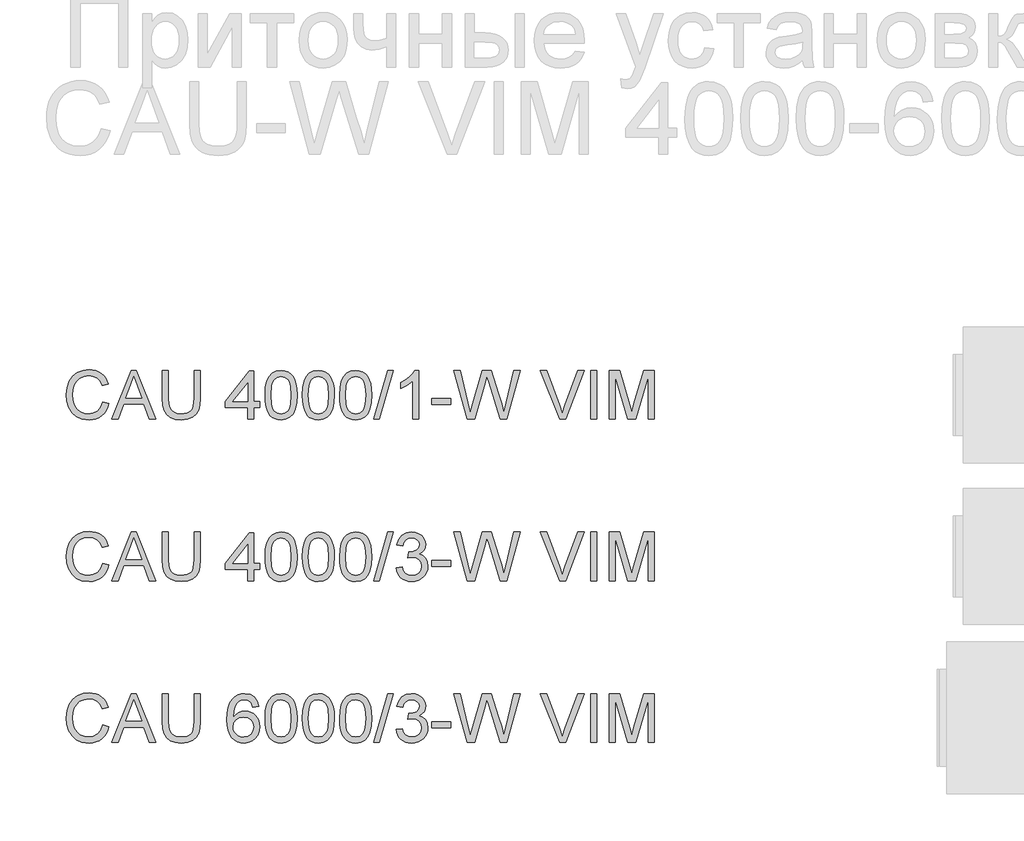
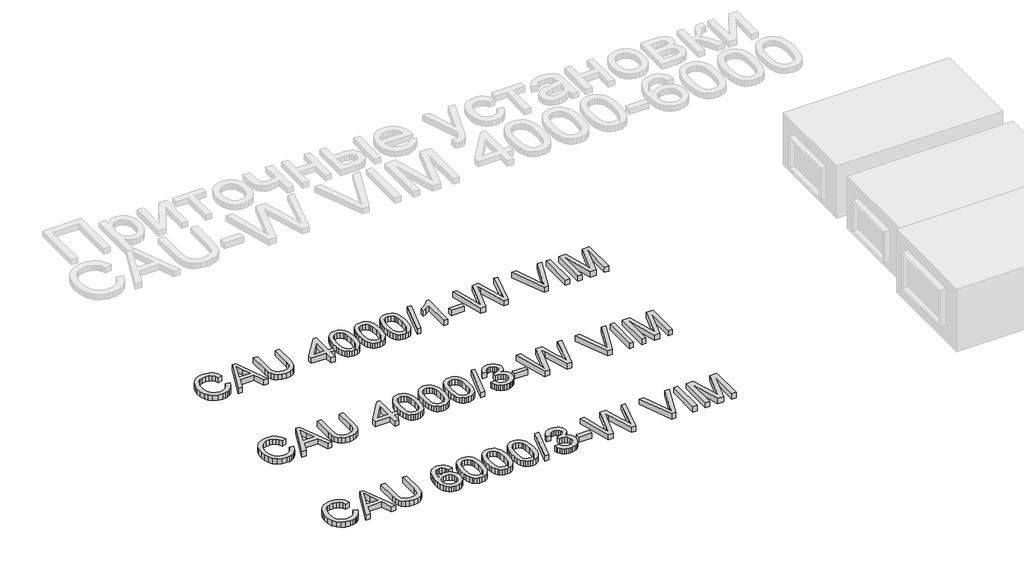
# One storey, part 70 of 74: 3 proxies.
"""IFC4 building model written with IfcOpenShell, lengths in millimetres."""

from ifc_helpers import new_model, si_unit, origin, origin_with_axes, place, context, project, spatial, polyline, outline, extrude, element, save

model = new_model("IFC4")

# Units and contexts
model_context = context("Model", 3, world=origin())
ifc_project = project(units=[si_unit("LENGTHUNIT", "METRE", prefix="MILLI")], contexts=[model_context])

# Site, building, storey
site = spatial("IfcSite", under=ifc_project)
building = spatial("IfcBuilding", under=site)
storey = spatial("IfcBuildingStorey", under=building, Elevation=0.0)

# Proxies
placement = place(None, origin())
element("IfcBuildingElementProxy", 1, Name="Generic Models", at=placement, inside=storey, context=model_context, shape_type="SweptSolid", body=[
    extrude(outline(polyline([(56009.3406669, -11399.1632103), (56047.0117832, -11408.875295), (56039.5575743, -11432.3024803), (56029.6293589, -11452.7728141), (56017.2271372, -11470.2862963), (56002.350909, -11484.842927), (55985.3363667, -11496.2863563), (55966.5192027, -11504.4602344), (55945.8994168, -11509.3645613), (55923.4770092, -11510.9993369), (55879.7818252, -11506.051324), (55845.0813561, -11491.2072855), (55818.4834878, -11466.9822562), (55799.0961067, -11433.8912707), (55787.2595035, -11394.9877497), (55783.3139691, -11353.3251137), (55787.7745383, -11309.3816094), (55801.1562458, -11271.4345816), (55822.760116, -11240.6888439), (55851.887173, -11218.3492097), (55886.4312923, -11204.7467729), (55924.2863496, -11200.2126274), (55965.5903006, -11206.0803452), (55983.5590368, -11213.4149925), (55999.7389468, -11223.6834986), (56013.8633162, -11236.6145508), (56025.6654304, -11251.9368359), (56042.3028937, -11289.755105), (56004.6317774, -11298.7314257), (55991.5719665, -11271.2598377), (55973.7296898, -11252.4150825), (55950.8842179, -11241.5165784), (55922.8148216, -11237.8837437), (55890.4596002, -11241.9120515), (55863.880126, -11253.996975), (55843.7109956, -11272.8693214), (55830.5868054, -11297.2598977), (55823.3855154, -11324.8326532), (55820.9850854, -11353.2515373), (55823.8269738, -11388.0531741), (55832.352639, -11418.1459213), (55846.8839778, -11442.3801477), (55867.742887, -11459.6062222), (55892.7496656, -11469.897721), (55919.7246129, -11473.3282206), (55951.1693264, -11468.6561192), (55977.3717215, -11454.6398152), (55997.1545758, -11431.4264613), (56009.3406669, -11399.1632103)])), origin_with_axes(), (0.0, 0.0, 1.0), 50.0),
    extrude(outline(polyline([(56063.7136258, -11506.2904473), (56184.0110382, -11204.9215169), (56216.0903482, -11204.9215169), (56336.3877606, -11506.2904473), (56296.5829287, -11506.2904473), (56262.0755976, -11412.1126566), (56137.9522124, -11412.1126566), (56103.5184577, -11506.2904473), (56063.7136258, -11506.2904473)]), holes=[polyline([(56151.7845754, -11374.4415403), (56248.316811, -11374.4415403), (56221.1671197, -11300.3501064), (56200.0506932, -11242.5926332), (56181.2887114, -11293.8753833), (56151.7845754, -11374.4415403)])]), origin_with_axes(), (0.0, 0.0, 1.0), 50.0),
    extrude(outline(polyline([(56574.4074115, -11204.9215169), (56612.0785278, -11204.9215169), (56612.0785278, -11378.7825478), (56609.5217479, -11419.4978876), (56601.8514083, -11450.8506307), (56587.5224046, -11475.0388719), (56564.9896324, -11494.2607061), (56534.1979094, -11506.8146792), (56495.0920533, -11510.9993369), (56456.8415229, -11507.3573051), (56426.261332, -11496.4312099), (56403.3422837, -11478.5981302), (56388.0751809, -11454.235145), (56379.4943334, -11421.5580268), (56376.6340509, -11378.7825478), (56376.6340509, -11204.9215169), (56414.3051672, -11204.9215169), (56414.3051672, -11377.4581726), (56416.1629713, -11411.3125132), (56421.7363835, -11434.8845521), (56431.8347443, -11451.2093156), (56447.267394, -11463.3218303), (56467.3905391, -11470.826623), (56491.5603862, -11473.3282206), (56529.875296, -11468.3802077), (56544.2180953, -11462.1951917), (56555.3511241, -11453.5361692), (56563.6882499, -11441.3592752), (56569.6433397, -11424.6206444), (56574.4074115, -11377.4581726), (56574.4074115, -11204.9215169)])), origin_with_axes(), (0.0, 0.0, 1.0), 50.0),
    extrude(outline(polyline([(56904.0296792, -11506.2904473), (56904.0296792, -11435.6571043), (56767.4718826, -11435.6571043), (56767.4718826, -11397.985988), (56913.4474582, -11209.6304064), (56941.7007955, -11209.6304064), (56941.7007955, -11397.985988), (56979.3719118, -11397.985988), (56979.3719118, -11435.6571043), (56941.7007955, -11435.6571043), (56941.7007955, -11506.2904473), (56904.0296792, -11506.2904473)]), holes=[polyline([(56904.0296792, -11397.985988), (56904.0296792, -11281.5881247), (56813.8250139, -11397.985988), (56904.0296792, -11397.985988)])]), origin_with_axes(), (0.0, 0.0, 1.0), 50.0),
    extrude(outline(polyline([(57012.3341385, -11358.0340033), (57015.1024506, -11309.7954767), (57023.4073866, -11271.324217), (57037.1661732, -11242.0316132), (57056.296037, -11221.3290539), (57080.9349336, -11209.0234011), (57111.2208189, -11204.9215169), (57134.4341727, -11207.3495381), (57155.2195055, -11214.6336016), (57172.6019297, -11226.4885989), (57185.6065583, -11242.6294214), (57195.4290075, -11262.9181134), (57203.264894, -11287.2167192), (57208.3968479, -11318.0728216), (57210.1074992, -11358.0340033), (57207.3667783, -11405.9966184), (57199.1446157, -11444.3759076), (57185.4686025, -11473.6961026), (57166.3663299, -11494.4814353), (57141.672251, -11506.8698615), (57111.2208189, -11510.9993369), (57090.4722743, -11509.2059122), (57072.0781746, -11503.825638), (57056.0385196, -11494.8585143), (57042.3533094, -11482.3045413), (57029.2199221, -11459.6108207), (57019.8389312, -11431.3344908), (57014.2103367, -11397.4755517), (57012.3341385, -11358.0340033)]), holes=[polyline([(57050.0052549, -11357.9604269), (57054.4198388, -11417.2170193), (57059.9380687, -11437.4850179), (57067.6635906, -11451.5128183), (57087.3820656, -11467.87437), (57111.2208189, -11473.3282206), (57135.0595721, -11467.8559759), (57154.7780471, -11451.4392419), (57162.503569, -11437.3884489), (57168.0217989, -11417.1250488), (57172.4363828, -11357.9604269), (57168.1689517, -11300.0374067), (57162.8346628, -11279.8360867), (57155.3666583, -11265.4748933), (57135.6849715, -11248.3131982), (57110.7793605, -11242.5926332), (57087.1981246, -11247.6326165), (57068.2522018, -11262.7525665), (57060.2691625, -11278.3875513), (57054.5669916, -11299.4671897), (57050.0052549, -11357.9604269)])]), origin_with_axes(), (0.0, 0.0, 1.0), 50.0),
    extrude(outline(polyline([(57243.0697259, -11358.0340033), (57245.8380379, -11309.7954767), (57254.142974, -11271.324217), (57267.9017606, -11242.0316132), (57287.0316243, -11221.3290539), (57311.670521, -11209.0234011), (57341.9564062, -11204.9215169), (57365.1697601, -11207.3495381), (57385.9550928, -11214.6336016), (57403.3375171, -11226.4885989), (57416.3421456, -11242.6294214), (57426.1645949, -11262.9181134), (57434.0004814, -11287.2167192), (57439.1324353, -11318.0728216), (57440.8430865, -11358.0340033), (57438.1023657, -11405.9966184), (57429.8802031, -11444.3759076), (57416.2041899, -11473.6961026), (57397.1019173, -11494.4814353), (57372.4078384, -11506.8698615), (57341.9564062, -11510.9993369), (57321.2078617, -11509.2059122), (57302.8137619, -11503.825638), (57286.7741069, -11494.8585143), (57273.0888967, -11482.3045413), (57259.9555095, -11459.6108207), (57250.5745186, -11431.3344908), (57244.9459241, -11397.4755517), (57243.0697259, -11358.0340033)]), holes=[polyline([(57280.7408422, -11357.9604269), (57285.1554262, -11417.2170193), (57290.6736561, -11437.4850179), (57298.399178, -11451.5128183), (57318.1176529, -11467.87437), (57341.9564062, -11473.3282206), (57365.7951595, -11467.8559759), (57385.5136345, -11451.4392419), (57393.2391564, -11437.3884489), (57398.7573863, -11417.1250488), (57403.1719702, -11357.9604269), (57398.9045391, -11300.0374067), (57393.5702501, -11279.8360867), (57386.1022456, -11265.4748933), (57366.4205589, -11248.3131982), (57341.5149478, -11242.5926332), (57317.9337119, -11247.6326165), (57298.9877892, -11262.7525665), (57291.0047499, -11278.3875513), (57285.302579, -11299.4671897), (57280.7408422, -11357.9604269)])]), origin_with_axes(), (0.0, 0.0, 1.0), 50.0),
    extrude(outline(polyline([(57473.8053133, -11358.0340033), (57476.5736253, -11309.7954767), (57484.8785614, -11271.324217), (57498.637348, -11242.0316132), (57517.7672117, -11221.3290539), (57542.4061083, -11209.0234011), (57572.6919936, -11204.9215169), (57595.9053475, -11207.3495381), (57616.6906802, -11214.6336016), (57634.0731045, -11226.4885989), (57647.077733, -11242.6294214), (57656.9001823, -11262.9181134), (57664.7360688, -11287.2167192), (57669.8680226, -11318.0728216), (57671.5786739, -11358.0340033), (57668.837953, -11405.9966184), (57660.6157904, -11444.3759076), (57646.9397773, -11473.6961026), (57627.8375047, -11494.4814353), (57603.1434258, -11506.8698615), (57572.6919936, -11510.9993369), (57551.9434491, -11509.2059122), (57533.5493493, -11503.825638), (57517.5096943, -11494.8585143), (57503.8244841, -11482.3045413), (57490.6910969, -11459.6108207), (57481.310106, -11431.3344908), (57475.6815115, -11397.4755517), (57473.8053133, -11358.0340033)]), holes=[polyline([(57511.4764296, -11357.9604269), (57515.8910135, -11417.2170193), (57521.4092435, -11437.4850179), (57529.1347654, -11451.5128183), (57548.8532403, -11467.87437), (57572.6919936, -11473.3282206), (57596.5307469, -11467.8559759), (57616.2492218, -11451.4392419), (57623.9747437, -11437.3884489), (57629.4929737, -11417.1250488), (57633.9075576, -11357.9604269), (57629.6401265, -11300.0374067), (57624.3058375, -11279.8360867), (57616.837833, -11265.4748933), (57597.1561463, -11248.3131982), (57572.2505352, -11242.5926332), (57548.6692993, -11247.6326165), (57529.7233766, -11262.7525665), (57521.7403373, -11278.3875513), (57516.0381663, -11299.4671897), (57511.4764296, -11357.9604269)])]), origin_with_axes(), (0.0, 0.0, 1.0), 50.0),
    extrude(outline(polyline([(57685.7053425, -11506.2904473), (57770.4653542, -11204.9215169), (57804.4576506, -11204.9215169), (57719.6976389, -11506.2904473), (57685.7053425, -11506.2904473)])), origin_with_axes(), (0.0, 0.0, 1.0), 50.0),
    extrude(outline(polyline([(57963.5298253, -11506.2904473), (57925.858709, -11506.2904473), (57925.858709, -11271.4345816), (57890.1741554, -11296.8552275), (57850.5164764, -11315.8747266), (57850.5164764, -11280.2637495), (57880.1033858, -11264.1689122), (57905.7355638, -11245.0206544), (57925.9414824, -11224.6583859), (57939.2496136, -11204.9215169), (57963.5298253, -11204.9215169), (57963.5298253, -11506.2904473)])), origin_with_axes(), (0.0, 0.0, 1.0), 50.0),
    extrude(outline(polyline([(58043.5809474, -11416.8215461), (58043.5809474, -11379.1504298), (58161.3031859, -11379.1504298), (58161.3031859, -11416.8215461), (58043.5809474, -11416.8215461)])), origin_with_axes(), (0.0, 0.0, 1.0), 50.0),
    extrude(outline(polyline([(58262.3235818, -11506.2904473), (58180.138744, -11204.9215169), (58218.9870827, -11204.9215169), (58266.6645893, -11402.9891831), (58281.3798691, -11464.1311707), (58297.1252185, -11410.0525174), (58356.8692545, -11204.9215169), (58412.8608942, -11204.9215169), (58456.2709696, -11353.6194193), (58474.8674045, -11408.8017186), (58488.5710088, -11464.1311707), (58502.8448302, -11404.7550167), (58550.9637952, -11204.9215169), (58589.8121339, -11204.9215169), (58507.5537197, -11506.2904473), (58467.3074295, -11506.2904473), (58395.0554056, -11273.7890264), (58384.975439, -11241.3418344), (58373.6446735, -11280.4109023), (58307.7937964, -11506.2904473), (58262.3235818, -11506.2904473)])), origin_with_axes(), (0.0, 0.0, 1.0), 50.0),
    extrude(outline(polyline([(58834.2329315, -11506.2904473), (58714.303401, -11204.9215169), (58754.6232677, -11204.9215169), (58834.8951191, -11422.0454704), (58851.1555032, -11470.9737758), (58867.1951582, -11422.0454704), (58947.6877388, -11204.9215169), (58988.0076054, -11204.9215169), (58873.1548465, -11506.2904473), (58834.2329315, -11506.2904473)])), origin_with_axes(), (0.0, 0.0, 1.0), 50.0),
    extrude(outline(polyline([(59027.7388609, -11506.2904473), (59027.7388609, -11204.9215169), (59065.4099772, -11204.9215169), (59065.4099772, -11506.2904473), (59027.7388609, -11506.2904473)])), origin_with_axes(), (0.0, 0.0, 1.0), 50.0),
    extrude(outline(polyline([(59140.7522098, -11506.2904473), (59140.7522098, -11204.9215169), (59205.5730174, -11204.9215169), (59267.2300398, -11417.3365809), (59279.6644512, -11461.7031495), (59293.1289322, -11413.657761), (59353.755885, -11204.9215169), (59418.5766926, -11204.9215169), (59418.5766926, -11506.2904473), (59380.9055763, -11506.2904473), (59380.9055763, -11242.5926332), (59305.1954617, -11506.2904473), (59254.1334408, -11506.2904473), (59178.4233261, -11242.5926332), (59178.4233261, -11506.2904473), (59140.7522098, -11506.2904473)])), origin_with_axes(), (0.0, 0.0, 1.0), 50.0),
])
element("IfcBuildingElementProxy", 2, Name="Generic Models", at=placement, inside=storey, context=model_context, shape_type="SweptSolid", body=[
    extrude(outline(polyline([(56009.3406669, -12399.1632103), (56047.0117832, -12408.875295), (56039.5575743, -12432.3024803), (56029.6293589, -12452.7728141), (56017.2271372, -12470.2862963), (56002.350909, -12484.842927), (55985.3363667, -12496.2863563), (55966.5192027, -12504.4602344), (55945.8994168, -12509.3645613), (55923.4770092, -12510.9993369), (55879.7818252, -12506.051324), (55845.0813561, -12491.2072855), (55818.4834878, -12466.9822562), (55799.0961067, -12433.8912707), (55787.2595035, -12394.9877497), (55783.3139691, -12353.3251137), (55787.7745383, -12309.3816094), (55801.1562458, -12271.4345816), (55822.760116, -12240.6888439), (55851.887173, -12218.3492097), (55886.4312923, -12204.7467729), (55924.2863496, -12200.2126274), (55965.5903006, -12206.0803452), (55983.5590368, -12213.4149925), (55999.7389468, -12223.6834986), (56013.8633162, -12236.6145508), (56025.6654304, -12251.9368359), (56042.3028937, -12289.755105), (56004.6317774, -12298.7314257), (55991.5719665, -12271.2598377), (55973.7296898, -12252.4150825), (55950.8842179, -12241.5165784), (55922.8148216, -12237.8837437), (55890.4596002, -12241.9120515), (55863.880126, -12253.996975), (55843.7109956, -12272.8693214), (55830.5868054, -12297.2598977), (55823.3855154, -12324.8326532), (55820.9850854, -12353.2515373), (55823.8269738, -12388.0531741), (55832.352639, -12418.1459213), (55846.8839778, -12442.3801477), (55867.742887, -12459.6062222), (55892.7496656, -12469.897721), (55919.7246129, -12473.3282206), (55951.1693264, -12468.6561192), (55977.3717215, -12454.6398152), (55997.1545758, -12431.4264613), (56009.3406669, -12399.1632103)])), origin_with_axes(), (0.0, 0.0, 1.0), 50.0),
    extrude(outline(polyline([(56063.7136258, -12506.2904473), (56184.0110382, -12204.9215169), (56216.0903482, -12204.9215169), (56336.3877606, -12506.2904473), (56296.5829287, -12506.2904473), (56262.0755976, -12412.1126566), (56137.9522124, -12412.1126566), (56103.5184577, -12506.2904473), (56063.7136258, -12506.2904473)]), holes=[polyline([(56151.7845754, -12374.4415403), (56248.316811, -12374.4415403), (56221.1671197, -12300.3501064), (56200.0506932, -12242.5926332), (56181.2887114, -12293.8753833), (56151.7845754, -12374.4415403)])]), origin_with_axes(), (0.0, 0.0, 1.0), 50.0),
    extrude(outline(polyline([(56574.4074115, -12204.9215169), (56612.0785278, -12204.9215169), (56612.0785278, -12378.7825478), (56609.5217479, -12419.4978876), (56601.8514083, -12450.8506307), (56587.5224046, -12475.0388719), (56564.9896324, -12494.2607061), (56534.1979094, -12506.8146792), (56495.0920533, -12510.9993369), (56456.8415229, -12507.3573051), (56426.261332, -12496.4312099), (56403.3422837, -12478.5981302), (56388.0751809, -12454.235145), (56379.4943334, -12421.5580268), (56376.6340509, -12378.7825478), (56376.6340509, -12204.9215169), (56414.3051672, -12204.9215169), (56414.3051672, -12377.4581726), (56416.1629713, -12411.3125132), (56421.7363835, -12434.8845521), (56431.8347443, -12451.2093156), (56447.267394, -12463.3218303), (56467.3905391, -12470.826623), (56491.5603862, -12473.3282206), (56529.875296, -12468.3802077), (56544.2180953, -12462.1951917), (56555.3511241, -12453.5361692), (56563.6882499, -12441.3592752), (56569.6433397, -12424.6206444), (56574.4074115, -12377.4581726), (56574.4074115, -12204.9215169)])), origin_with_axes(), (0.0, 0.0, 1.0), 50.0),
    extrude(outline(polyline([(56904.0296792, -12506.2904473), (56904.0296792, -12435.6571043), (56767.4718826, -12435.6571043), (56767.4718826, -12397.985988), (56913.4474582, -12209.6304064), (56941.7007955, -12209.6304064), (56941.7007955, -12397.985988), (56979.3719118, -12397.985988), (56979.3719118, -12435.6571043), (56941.7007955, -12435.6571043), (56941.7007955, -12506.2904473), (56904.0296792, -12506.2904473)]), holes=[polyline([(56904.0296792, -12397.985988), (56904.0296792, -12281.5881247), (56813.8250139, -12397.985988), (56904.0296792, -12397.985988)])]), origin_with_axes(), (0.0, 0.0, 1.0), 50.0),
    extrude(outline(polyline([(57012.3341385, -12358.0340033), (57015.1024506, -12309.7954767), (57023.4073866, -12271.324217), (57037.1661732, -12242.0316132), (57056.296037, -12221.3290539), (57080.9349336, -12209.0234011), (57111.2208189, -12204.9215169), (57134.4341727, -12207.3495381), (57155.2195055, -12214.6336016), (57172.6019297, -12226.4885989), (57185.6065583, -12242.6294214), (57195.4290075, -12262.9181134), (57203.264894, -12287.2167192), (57208.3968479, -12318.0728216), (57210.1074992, -12358.0340033), (57207.3667783, -12405.9966184), (57199.1446157, -12444.3759076), (57185.4686025, -12473.6961026), (57166.3663299, -12494.4814353), (57141.672251, -12506.8698615), (57111.2208189, -12510.9993369), (57090.4722743, -12509.2059122), (57072.0781746, -12503.825638), (57056.0385196, -12494.8585143), (57042.3533094, -12482.3045413), (57029.2199221, -12459.6108207), (57019.8389312, -12431.3344908), (57014.2103367, -12397.4755517), (57012.3341385, -12358.0340033)]), holes=[polyline([(57050.0052549, -12357.9604269), (57054.4198388, -12417.2170193), (57059.9380687, -12437.4850179), (57067.6635906, -12451.5128183), (57087.3820656, -12467.87437), (57111.2208189, -12473.3282206), (57135.0595721, -12467.8559759), (57154.7780471, -12451.4392419), (57162.503569, -12437.3884489), (57168.0217989, -12417.1250488), (57172.4363828, -12357.9604269), (57168.1689517, -12300.0374067), (57162.8346628, -12279.8360867), (57155.3666583, -12265.4748933), (57135.6849715, -12248.3131982), (57110.7793605, -12242.5926332), (57087.1981246, -12247.6326165), (57068.2522018, -12262.7525665), (57060.2691625, -12278.3875513), (57054.5669916, -12299.4671897), (57050.0052549, -12357.9604269)])]), origin_with_axes(), (0.0, 0.0, 1.0), 50.0),
    extrude(outline(polyline([(57243.0697259, -12358.0340033), (57245.8380379, -12309.7954767), (57254.142974, -12271.324217), (57267.9017606, -12242.0316132), (57287.0316243, -12221.3290539), (57311.670521, -12209.0234011), (57341.9564062, -12204.9215169), (57365.1697601, -12207.3495381), (57385.9550928, -12214.6336016), (57403.3375171, -12226.4885989), (57416.3421456, -12242.6294214), (57426.1645949, -12262.9181134), (57434.0004814, -12287.2167192), (57439.1324353, -12318.0728216), (57440.8430865, -12358.0340033), (57438.1023657, -12405.9966184), (57429.8802031, -12444.3759076), (57416.2041899, -12473.6961026), (57397.1019173, -12494.4814353), (57372.4078384, -12506.8698615), (57341.9564062, -12510.9993369), (57321.2078617, -12509.2059122), (57302.8137619, -12503.825638), (57286.7741069, -12494.8585143), (57273.0888967, -12482.3045413), (57259.9555095, -12459.6108207), (57250.5745186, -12431.3344908), (57244.9459241, -12397.4755517), (57243.0697259, -12358.0340033)]), holes=[polyline([(57280.7408422, -12357.9604269), (57285.1554262, -12417.2170193), (57290.6736561, -12437.4850179), (57298.399178, -12451.5128183), (57318.1176529, -12467.87437), (57341.9564062, -12473.3282206), (57365.7951595, -12467.8559759), (57385.5136345, -12451.4392419), (57393.2391564, -12437.3884489), (57398.7573863, -12417.1250488), (57403.1719702, -12357.9604269), (57398.9045391, -12300.0374067), (57393.5702501, -12279.8360867), (57386.1022456, -12265.4748933), (57366.4205589, -12248.3131982), (57341.5149478, -12242.5926332), (57317.9337119, -12247.6326165), (57298.9877892, -12262.7525665), (57291.0047499, -12278.3875513), (57285.302579, -12299.4671897), (57280.7408422, -12357.9604269)])]), origin_with_axes(), (0.0, 0.0, 1.0), 50.0),
    extrude(outline(polyline([(57473.8053133, -12358.0340033), (57476.5736253, -12309.7954767), (57484.8785614, -12271.324217), (57498.637348, -12242.0316132), (57517.7672117, -12221.3290539), (57542.4061083, -12209.0234011), (57572.6919936, -12204.9215169), (57595.9053475, -12207.3495381), (57616.6906802, -12214.6336016), (57634.0731045, -12226.4885989), (57647.077733, -12242.6294214), (57656.9001823, -12262.9181134), (57664.7360688, -12287.2167192), (57669.8680226, -12318.0728216), (57671.5786739, -12358.0340033), (57668.837953, -12405.9966184), (57660.6157904, -12444.3759076), (57646.9397773, -12473.6961026), (57627.8375047, -12494.4814353), (57603.1434258, -12506.8698615), (57572.6919936, -12510.9993369), (57551.9434491, -12509.2059122), (57533.5493493, -12503.825638), (57517.5096943, -12494.8585143), (57503.8244841, -12482.3045413), (57490.6910969, -12459.6108207), (57481.310106, -12431.3344908), (57475.6815115, -12397.4755517), (57473.8053133, -12358.0340033)]), holes=[polyline([(57511.4764296, -12357.9604269), (57515.8910135, -12417.2170193), (57521.4092435, -12437.4850179), (57529.1347654, -12451.5128183), (57548.8532403, -12467.87437), (57572.6919936, -12473.3282206), (57596.5307469, -12467.8559759), (57616.2492218, -12451.4392419), (57623.9747437, -12437.3884489), (57629.4929737, -12417.1250488), (57633.9075576, -12357.9604269), (57629.6401265, -12300.0374067), (57624.3058375, -12279.8360867), (57616.837833, -12265.4748933), (57597.1561463, -12248.3131982), (57572.2505352, -12242.5926332), (57548.6692993, -12247.6326165), (57529.7233766, -12262.7525665), (57521.7403373, -12278.3875513), (57516.0381663, -12299.4671897), (57511.4764296, -12357.9604269)])]), origin_with_axes(), (0.0, 0.0, 1.0), 50.0),
    extrude(outline(polyline([(57685.7053425, -12506.2904473), (57770.4653542, -12204.9215169), (57804.4576506, -12204.9215169), (57719.6976389, -12506.2904473), (57685.7053425, -12506.2904473)])), origin_with_axes(), (0.0, 0.0, 1.0), 50.0),
    extrude(outline(polyline([(57822.2631391, -12426.2393252), (57859.9342554, -12421.5304357), (57868.3679502, -12445.203642), (57880.7195882, -12461.1881147), (57897.5961747, -12470.2931941), (57919.6047151, -12473.3282206), (57945.4300311, -12469.1527599), (57965.3692353, -12456.626378), (57978.1163464, -12437.9379726), (57982.3653834, -12415.2764417), (57978.1531346, -12393.7645421), (57965.516388, -12376.3177384), (57946.3865243, -12364.7570467), (57922.6949238, -12360.9034828), (57896.2809966, -12365.0237612), (57900.4748513, -12327.3526449), (57906.508116, -12327.7941033), (57929.0776764, -12325.0901706), (57949.2560039, -12316.9783726), (57963.4930371, -12303.2563742), (57968.2387148, -12283.7218403), (57964.7990182, -12267.452259), (57954.4799282, -12254.2544924), (57938.7345788, -12245.508098), (57919.0161039, -12242.5926332), (57899.2608407, -12245.5356892), (57883.1108211, -12254.364857), (57871.3202032, -12269.0801369), (57864.643145, -12289.6815286), (57826.9720287, -12284.972639), (57838.0636708, -12251.1458896), (57857.8005399, -12225.8907906), (57884.8030783, -12210.1638353), (57917.6917287, -12204.9215169), (57941.3741321, -12207.5058879), (57963.1251551, -12215.259001), (57981.4640725, -12227.4910773), (57994.9101595, -12243.5123382), (58003.1599132, -12261.9708173), (58005.9098311, -12281.5145483), (58003.297869, -12299.724707), (57995.4619825, -12316.2426086), (57982.5125362, -12330.3140949), (57964.5598949, -12341.1850079), (57988.1411308, -12350.7131516), (58005.6155255, -12366.9367476), (58016.4312562, -12388.9728791), (58020.0364997, -12415.9386293), (58018.233878, -12435.050099), (58012.8260126, -12452.6532524), (58003.8129037, -12468.7480897), (57991.1945513, -12483.3346108), (57975.8216824, -12495.4379285), (57958.5450242, -12504.0831554), (57939.3645767, -12509.2702915), (57918.2803399, -12510.9993369), (57899.2240525, -12509.5232104), (57881.8600223, -12505.0948309), (57866.1882494, -12497.7141983), (57852.2087335, -12487.3813128), (57840.4870935, -12474.7031795), (57831.5889477, -12460.2868038), (57825.5142963, -12444.1321857), (57822.2631391, -12426.2393252)])), origin_with_axes(), (0.0, 0.0, 1.0), 50.0),
    extrude(outline(polyline([(58043.5809474, -12416.8215461), (58043.5809474, -12379.1504298), (58161.3031859, -12379.1504298), (58161.3031859, -12416.8215461), (58043.5809474, -12416.8215461)])), origin_with_axes(), (0.0, 0.0, 1.0), 50.0),
    extrude(outline(polyline([(58262.3235818, -12506.2904473), (58180.138744, -12204.9215169), (58218.9870827, -12204.9215169), (58266.6645893, -12402.9891831), (58281.3798691, -12464.1311707), (58297.1252185, -12410.0525174), (58356.8692545, -12204.9215169), (58412.8608942, -12204.9215169), (58456.2709696, -12353.6194193), (58474.8674045, -12408.8017186), (58488.5710088, -12464.1311707), (58502.8448302, -12404.7550167), (58550.9637952, -12204.9215169), (58589.8121339, -12204.9215169), (58507.5537197, -12506.2904473), (58467.3074295, -12506.2904473), (58395.0554056, -12273.7890264), (58384.975439, -12241.3418344), (58373.6446735, -12280.4109023), (58307.7937964, -12506.2904473), (58262.3235818, -12506.2904473)])), origin_with_axes(), (0.0, 0.0, 1.0), 50.0),
    extrude(outline(polyline([(58834.2329315, -12506.2904473), (58714.303401, -12204.9215169), (58754.6232677, -12204.9215169), (58834.8951191, -12422.0454704), (58851.1555032, -12470.9737758), (58867.1951582, -12422.0454704), (58947.6877388, -12204.9215169), (58988.0076054, -12204.9215169), (58873.1548465, -12506.2904473), (58834.2329315, -12506.2904473)])), origin_with_axes(), (0.0, 0.0, 1.0), 50.0),
    extrude(outline(polyline([(59027.7388609, -12506.2904473), (59027.7388609, -12204.9215169), (59065.4099772, -12204.9215169), (59065.4099772, -12506.2904473), (59027.7388609, -12506.2904473)])), origin_with_axes(), (0.0, 0.0, 1.0), 50.0),
    extrude(outline(polyline([(59140.7522098, -12506.2904473), (59140.7522098, -12204.9215169), (59205.5730174, -12204.9215169), (59267.2300398, -12417.3365809), (59279.6644512, -12461.7031495), (59293.1289322, -12413.657761), (59353.755885, -12204.9215169), (59418.5766926, -12204.9215169), (59418.5766926, -12506.2904473), (59380.9055763, -12506.2904473), (59380.9055763, -12242.5926332), (59305.1954617, -12506.2904473), (59254.1334408, -12506.2904473), (59178.4233261, -12242.5926332), (59178.4233261, -12506.2904473), (59140.7522098, -12506.2904473)])), origin_with_axes(), (0.0, 0.0, 1.0), 50.0),
])
element("IfcBuildingElementProxy", 3, Name="Generic Models", at=placement, inside=storey, context=model_context, shape_type="SweptSolid", body=[
    extrude(outline(polyline([(56009.3406669, -13399.1632103), (56047.0117832, -13408.875295), (56039.5575743, -13432.3024803), (56029.6293589, -13452.7728141), (56017.2271372, -13470.2862963), (56002.350909, -13484.842927), (55985.3363667, -13496.2863563), (55966.5192027, -13504.4602344), (55945.8994168, -13509.3645613), (55923.4770092, -13510.9993369), (55879.7818252, -13506.051324), (55845.0813561, -13491.2072855), (55818.4834878, -13466.9822562), (55799.0961067, -13433.8912707), (55787.2595035, -13394.9877497), (55783.3139691, -13353.3251137), (55787.7745383, -13309.3816094), (55801.1562458, -13271.4345816), (55822.760116, -13240.6888439), (55851.887173, -13218.3492097), (55886.4312923, -13204.7467729), (55924.2863496, -13200.2126274), (55965.5903006, -13206.0803452), (55983.5590368, -13213.4149925), (55999.7389468, -13223.6834986), (56013.8633162, -13236.6145508), (56025.6654304, -13251.9368359), (56042.3028937, -13289.755105), (56004.6317774, -13298.7314257), (55991.5719665, -13271.2598377), (55973.7296898, -13252.4150825), (55950.8842179, -13241.5165784), (55922.8148216, -13237.8837437), (55890.4596002, -13241.9120515), (55863.880126, -13253.996975), (55843.7109956, -13272.8693214), (55830.5868054, -13297.2598977), (55823.3855154, -13324.8326532), (55820.9850854, -13353.2515373), (55823.8269738, -13388.0531741), (55832.352639, -13418.1459213), (55846.8839778, -13442.3801477), (55867.742887, -13459.6062222), (55892.7496656, -13469.897721), (55919.7246129, -13473.3282206), (55951.1693264, -13468.6561192), (55977.3717215, -13454.6398152), (55997.1545758, -13431.4264613), (56009.3406669, -13399.1632103)])), origin_with_axes(), (0.0, 0.0, 1.0), 50.0),
    extrude(outline(polyline([(56063.7136258, -13506.2904473), (56184.0110382, -13204.9215169), (56216.0903482, -13204.9215169), (56336.3877606, -13506.2904473), (56296.5829287, -13506.2904473), (56262.0755976, -13412.1126566), (56137.9522124, -13412.1126566), (56103.5184577, -13506.2904473), (56063.7136258, -13506.2904473)]), holes=[polyline([(56151.7845754, -13374.4415403), (56248.316811, -13374.4415403), (56221.1671197, -13300.3501064), (56200.0506932, -13242.5926332), (56181.2887114, -13293.8753833), (56151.7845754, -13374.4415403)])]), origin_with_axes(), (0.0, 0.0, 1.0), 50.0),
    extrude(outline(polyline([(56574.4074115, -13204.9215169), (56612.0785278, -13204.9215169), (56612.0785278, -13378.7825478), (56609.5217479, -13419.4978876), (56601.8514083, -13450.8506307), (56587.5224046, -13475.0388719), (56564.9896324, -13494.2607061), (56534.1979094, -13506.8146792), (56495.0920533, -13510.9993369), (56456.8415229, -13507.3573051), (56426.261332, -13496.4312099), (56403.3422837, -13478.5981302), (56388.0751809, -13454.235145), (56379.4943334, -13421.5580268), (56376.6340509, -13378.7825478), (56376.6340509, -13204.9215169), (56414.3051672, -13204.9215169), (56414.3051672, -13377.4581726), (56416.1629713, -13411.3125132), (56421.7363835, -13434.8845521), (56431.8347443, -13451.2093156), (56447.267394, -13463.3218303), (56467.3905391, -13470.826623), (56491.5603862, -13473.3282206), (56529.875296, -13468.3802077), (56544.2180953, -13462.1951917), (56555.3511241, -13453.5361692), (56563.6882499, -13441.3592752), (56569.6433397, -13424.6206444), (56574.4074115, -13377.4581726), (56574.4074115, -13204.9215169)])), origin_with_axes(), (0.0, 0.0, 1.0), 50.0),
    extrude(outline(polyline([(56974.6630222, -13284.972639), (56936.9919059, -13289.6815286), (56930.921853, -13271.0115173), (56922.7180845, -13258.2644062), (56905.6299658, -13246.5105764), (56884.9733918, -13242.5926332), (56867.4622088, -13244.8735016), (56850.9810955, -13251.7161067), (56836.8268357, -13266.1278838), (56825.266144, -13285.9659204), (56817.4578487, -13314.0261196), (56814.5607779, -13353.1043845), (56829.6715309, -13335.4736399), (56847.7805221, -13323.0484255), (56867.8760761, -13315.6815886), (56888.9465174, -13313.2259763), (56907.0463115, -13314.9044379), (56923.7481541, -13319.9398227), (56939.0520451, -13328.3321307), (56952.9579845, -13340.0813619), (56964.5140777, -13354.4885406), (56972.76843, -13370.8546908), (56977.7210413, -13389.1798127), (56979.3719118, -13409.4639062), (56976.2633089, -13436.4388535), (56966.9375003, -13461.4456321), (56952.1670382, -13482.6540292), (56932.7244748, -13498.2338316), (56909.4927268, -13507.8079606), (56883.354711, -13510.9993369), (56860.8978145, -13508.8840154), (56840.6160202, -13502.538051), (56822.5093283, -13491.9614436), (56806.5777386, -13477.1541933), (56793.589205, -13457.4909007), (56784.3116809, -13432.3461663), (56778.7451664, -13401.7199902), (56776.8896616, -13365.6123724), (56778.9498008, -13325.1315573), (56785.1302183, -13290.5828395), (56795.4309142, -13261.9662188), (56809.8518884, -13239.2816952), (56825.4822747, -13224.2491172), (56843.6050615, -13213.5115615), (56864.2202488, -13207.069028), (56887.3278366, -13204.9215169), (56920.3820339, -13210.2374117), (56946.8511434, -13226.1850962), (56965.392396, -13251.5137716), (56974.6630222, -13284.972639)]), holes=[polyline([(56814.5607779, -13408.875295), (56816.7404788, -13425.5679405), (56823.2795812, -13441.506428), (56833.4331243, -13455.2100323), (56846.4561469, -13465.1980285), (56862.1739052, -13471.2956725), (56880.4116551, -13473.3282206), (56905.2712809, -13469.1159717), (56924.8150119, -13456.4792252), (56937.4793496, -13436.6135975), (56941.7007955, -13410.714705), (56937.5345319, -13385.8550792), (56925.0357411, -13366.8999594), (56905.1609163, -13354.8978093), (56878.8665507, -13350.8970926), (56854.0437131, -13354.8978093), (56833.2859715, -13366.8999594), (56819.2420763, -13385.3952267), (56814.5607779, -13408.875295)])]), origin_with_axes(), (0.0, 0.0, 1.0), 50.0),
    extrude(outline(polyline([(57012.3341385, -13358.0340033), (57015.1024506, -13309.7954767), (57023.4073866, -13271.324217), (57037.1661732, -13242.0316132), (57056.296037, -13221.3290539), (57080.9349336, -13209.0234011), (57111.2208189, -13204.9215169), (57134.4341727, -13207.3495381), (57155.2195055, -13214.6336016), (57172.6019297, -13226.4885989), (57185.6065583, -13242.6294214), (57195.4290075, -13262.9181134), (57203.264894, -13287.2167192), (57208.3968479, -13318.0728216), (57210.1074992, -13358.0340033), (57207.3667783, -13405.9966184), (57199.1446157, -13444.3759076), (57185.4686025, -13473.6961026), (57166.3663299, -13494.4814353), (57141.672251, -13506.8698615), (57111.2208189, -13510.9993369), (57090.4722743, -13509.2059122), (57072.0781746, -13503.825638), (57056.0385196, -13494.8585143), (57042.3533094, -13482.3045413), (57029.2199221, -13459.6108207), (57019.8389312, -13431.3344908), (57014.2103367, -13397.4755517), (57012.3341385, -13358.0340033)]), holes=[polyline([(57050.0052549, -13357.9604269), (57054.4198388, -13417.2170193), (57059.9380687, -13437.4850179), (57067.6635906, -13451.5128183), (57087.3820656, -13467.87437), (57111.2208189, -13473.3282206), (57135.0595721, -13467.8559759), (57154.7780471, -13451.4392419), (57162.503569, -13437.3884489), (57168.0217989, -13417.1250488), (57172.4363828, -13357.9604269), (57168.1689517, -13300.0374067), (57162.8346628, -13279.8360867), (57155.3666583, -13265.4748933), (57135.6849715, -13248.3131982), (57110.7793605, -13242.5926332), (57087.1981246, -13247.6326165), (57068.2522018, -13262.7525665), (57060.2691625, -13278.3875513), (57054.5669916, -13299.4671897), (57050.0052549, -13357.9604269)])]), origin_with_axes(), (0.0, 0.0, 1.0), 50.0),
    extrude(outline(polyline([(57243.0697259, -13358.0340033), (57245.8380379, -13309.7954767), (57254.142974, -13271.324217), (57267.9017606, -13242.0316132), (57287.0316243, -13221.3290539), (57311.670521, -13209.0234011), (57341.9564062, -13204.9215169), (57365.1697601, -13207.3495381), (57385.9550928, -13214.6336016), (57403.3375171, -13226.4885989), (57416.3421456, -13242.6294214), (57426.1645949, -13262.9181134), (57434.0004814, -13287.2167192), (57439.1324353, -13318.0728216), (57440.8430865, -13358.0340033), (57438.1023657, -13405.9966184), (57429.8802031, -13444.3759076), (57416.2041899, -13473.6961026), (57397.1019173, -13494.4814353), (57372.4078384, -13506.8698615), (57341.9564062, -13510.9993369), (57321.2078617, -13509.2059122), (57302.8137619, -13503.825638), (57286.7741069, -13494.8585143), (57273.0888967, -13482.3045413), (57259.9555095, -13459.6108207), (57250.5745186, -13431.3344908), (57244.9459241, -13397.4755517), (57243.0697259, -13358.0340033)]), holes=[polyline([(57280.7408422, -13357.9604269), (57285.1554262, -13417.2170193), (57290.6736561, -13437.4850179), (57298.399178, -13451.5128183), (57318.1176529, -13467.87437), (57341.9564062, -13473.3282206), (57365.7951595, -13467.8559759), (57385.5136345, -13451.4392419), (57393.2391564, -13437.3884489), (57398.7573863, -13417.1250488), (57403.1719702, -13357.9604269), (57398.9045391, -13300.0374067), (57393.5702501, -13279.8360867), (57386.1022456, -13265.4748933), (57366.4205589, -13248.3131982), (57341.5149478, -13242.5926332), (57317.9337119, -13247.6326165), (57298.9877892, -13262.7525665), (57291.0047499, -13278.3875513), (57285.302579, -13299.4671897), (57280.7408422, -13357.9604269)])]), origin_with_axes(), (0.0, 0.0, 1.0), 50.0),
    extrude(outline(polyline([(57473.8053133, -13358.0340033), (57476.5736253, -13309.7954767), (57484.8785614, -13271.324217), (57498.637348, -13242.0316132), (57517.7672117, -13221.3290539), (57542.4061083, -13209.0234011), (57572.6919936, -13204.9215169), (57595.9053475, -13207.3495381), (57616.6906802, -13214.6336016), (57634.0731045, -13226.4885989), (57647.077733, -13242.6294214), (57656.9001823, -13262.9181134), (57664.7360688, -13287.2167192), (57669.8680226, -13318.0728216), (57671.5786739, -13358.0340033), (57668.837953, -13405.9966184), (57660.6157904, -13444.3759076), (57646.9397773, -13473.6961026), (57627.8375047, -13494.4814353), (57603.1434258, -13506.8698615), (57572.6919936, -13510.9993369), (57551.9434491, -13509.2059122), (57533.5493493, -13503.825638), (57517.5096943, -13494.8585143), (57503.8244841, -13482.3045413), (57490.6910969, -13459.6108207), (57481.310106, -13431.3344908), (57475.6815115, -13397.4755517), (57473.8053133, -13358.0340033)]), holes=[polyline([(57511.4764296, -13357.9604269), (57515.8910135, -13417.2170193), (57521.4092435, -13437.4850179), (57529.1347654, -13451.5128183), (57548.8532403, -13467.87437), (57572.6919936, -13473.3282206), (57596.5307469, -13467.8559759), (57616.2492218, -13451.4392419), (57623.9747437, -13437.3884489), (57629.4929737, -13417.1250488), (57633.9075576, -13357.9604269), (57629.6401265, -13300.0374067), (57624.3058375, -13279.8360867), (57616.837833, -13265.4748933), (57597.1561463, -13248.3131982), (57572.2505352, -13242.5926332), (57548.6692993, -13247.6326165), (57529.7233766, -13262.7525665), (57521.7403373, -13278.3875513), (57516.0381663, -13299.4671897), (57511.4764296, -13357.9604269)])]), origin_with_axes(), (0.0, 0.0, 1.0), 50.0),
    extrude(outline(polyline([(57685.7053425, -13506.2904473), (57770.4653542, -13204.9215169), (57804.4576506, -13204.9215169), (57719.6976389, -13506.2904473), (57685.7053425, -13506.2904473)])), origin_with_axes(), (0.0, 0.0, 1.0), 50.0),
    extrude(outline(polyline([(57822.2631391, -13426.2393252), (57859.9342554, -13421.5304357), (57868.3679502, -13445.203642), (57880.7195882, -13461.1881147), (57897.5961747, -13470.2931941), (57919.6047151, -13473.3282206), (57945.4300311, -13469.1527599), (57965.3692353, -13456.626378), (57978.1163464, -13437.9379726), (57982.3653834, -13415.2764417), (57978.1531346, -13393.7645421), (57965.516388, -13376.3177384), (57946.3865243, -13364.7570467), (57922.6949238, -13360.9034828), (57896.2809966, -13365.0237612), (57900.4748513, -13327.3526449), (57906.508116, -13327.7941033), (57929.0776764, -13325.0901706), (57949.2560039, -13316.9783726), (57963.4930371, -13303.2563742), (57968.2387148, -13283.7218403), (57964.7990182, -13267.452259), (57954.4799282, -13254.2544924), (57938.7345788, -13245.508098), (57919.0161039, -13242.5926332), (57899.2608407, -13245.5356892), (57883.1108211, -13254.364857), (57871.3202032, -13269.0801369), (57864.643145, -13289.6815286), (57826.9720287, -13284.972639), (57838.0636708, -13251.1458896), (57857.8005399, -13225.8907906), (57884.8030783, -13210.1638353), (57917.6917287, -13204.9215169), (57941.3741321, -13207.5058879), (57963.1251551, -13215.259001), (57981.4640725, -13227.4910773), (57994.9101595, -13243.5123382), (58003.1599132, -13261.9708173), (58005.9098311, -13281.5145483), (58003.297869, -13299.724707), (57995.4619825, -13316.2426086), (57982.5125362, -13330.3140949), (57964.5598949, -13341.1850079), (57988.1411308, -13350.7131516), (58005.6155255, -13366.9367476), (58016.4312562, -13388.9728791), (58020.0364997, -13415.9386293), (58018.233878, -13435.050099), (58012.8260126, -13452.6532524), (58003.8129037, -13468.7480897), (57991.1945513, -13483.3346108), (57975.8216824, -13495.4379285), (57958.5450242, -13504.0831554), (57939.3645767, -13509.2702915), (57918.2803399, -13510.9993369), (57899.2240525, -13509.5232104), (57881.8600223, -13505.0948309), (57866.1882494, -13497.7141983), (57852.2087335, -13487.3813128), (57840.4870935, -13474.7031795), (57831.5889477, -13460.2868038), (57825.5142963, -13444.1321857), (57822.2631391, -13426.2393252)])), origin_with_axes(), (0.0, 0.0, 1.0), 50.0),
    extrude(outline(polyline([(58043.5809474, -13416.8215461), (58043.5809474, -13379.1504298), (58161.3031859, -13379.1504298), (58161.3031859, -13416.8215461), (58043.5809474, -13416.8215461)])), origin_with_axes(), (0.0, 0.0, 1.0), 50.0),
    extrude(outline(polyline([(58262.3235818, -13506.2904473), (58180.138744, -13204.9215169), (58218.9870827, -13204.9215169), (58266.6645893, -13402.9891831), (58281.3798691, -13464.1311707), (58297.1252185, -13410.0525174), (58356.8692545, -13204.9215169), (58412.8608942, -13204.9215169), (58456.2709696, -13353.6194193), (58474.8674045, -13408.8017186), (58488.5710088, -13464.1311707), (58502.8448302, -13404.7550167), (58550.9637952, -13204.9215169), (58589.8121339, -13204.9215169), (58507.5537197, -13506.2904473), (58467.3074295, -13506.2904473), (58395.0554056, -13273.7890264), (58384.975439, -13241.3418344), (58373.6446735, -13280.4109023), (58307.7937964, -13506.2904473), (58262.3235818, -13506.2904473)])), origin_with_axes(), (0.0, 0.0, 1.0), 50.0),
    extrude(outline(polyline([(58834.2329315, -13506.2904473), (58714.303401, -13204.9215169), (58754.6232677, -13204.9215169), (58834.8951191, -13422.0454704), (58851.1555032, -13470.9737758), (58867.1951582, -13422.0454704), (58947.6877388, -13204.9215169), (58988.0076054, -13204.9215169), (58873.1548465, -13506.2904473), (58834.2329315, -13506.2904473)])), origin_with_axes(), (0.0, 0.0, 1.0), 50.0),
    extrude(outline(polyline([(59027.7388609, -13506.2904473), (59027.7388609, -13204.9215169), (59065.4099772, -13204.9215169), (59065.4099772, -13506.2904473), (59027.7388609, -13506.2904473)])), origin_with_axes(), (0.0, 0.0, 1.0), 50.0),
    extrude(outline(polyline([(59140.7522098, -13506.2904473), (59140.7522098, -13204.9215169), (59205.5730174, -13204.9215169), (59267.2300398, -13417.3365809), (59279.6644512, -13461.7031495), (59293.1289322, -13413.657761), (59353.755885, -13204.9215169), (59418.5766926, -13204.9215169), (59418.5766926, -13506.2904473), (59380.9055763, -13506.2904473), (59380.9055763, -13242.5926332), (59305.1954617, -13506.2904473), (59254.1334408, -13506.2904473), (59178.4233261, -13242.5926332), (59178.4233261, -13506.2904473), (59140.7522098, -13506.2904473)])), origin_with_axes(), (0.0, 0.0, 1.0), 50.0),
])

save(model, "model.ifc")
